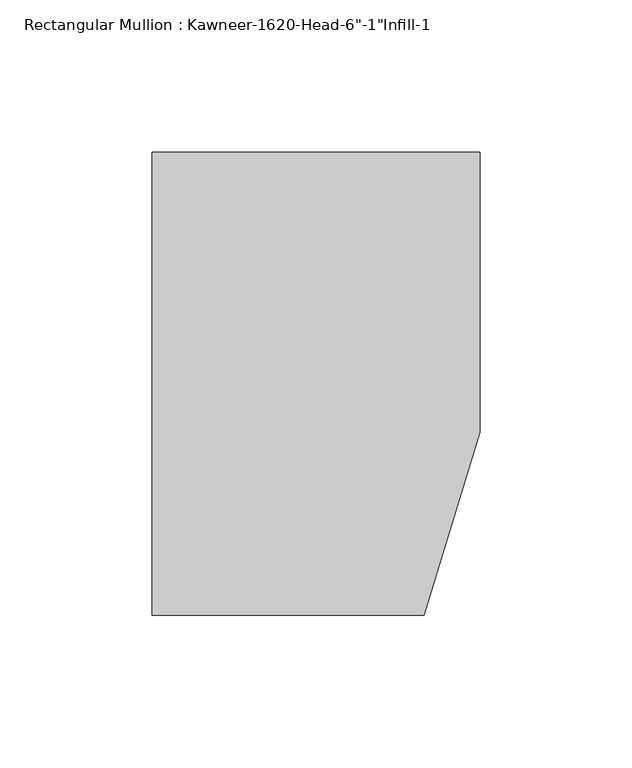
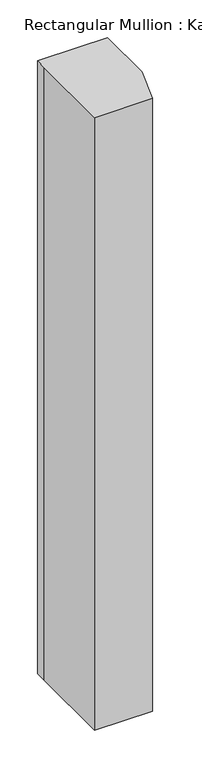
"""IFC4 building model written with IfcOpenShell, lengths in millimetres: member geometry."""

from ifc_helpers import new_model, si_unit, frame, origin, place, context, project, spatial, polyline, outline, extrude, source, transform, mapped, element, save


def member_7d9ce061(model_context):
    return source(origin(), model_context, "Body", "SweptSolid", [
        extrude(outline(polyline([(-107.95, 19.9095466), (-107.95, 38.1), (-44.1519366, 38.1), (0.0, 38.1), (0.0, -53.975), (-18.3538271, -114.3), (-107.95, -114.3), (-107.95, 19.9095466)])), frame((0.0, 0.0, -996.8565367), z_axis=(0.0, 0.0, 1.0), x_axis=(1.0, 0.0, 0.0)), (0.0, 0.0, 1.0), 996.8565367),
    ])


if __name__ == "__main__":
    model = new_model("IFC4")
    model_context = context("Model", 3, world=origin())
    ifc_project = project(units=[si_unit("LENGTHUNIT", "METRE", prefix="MILLI")], contexts=[model_context])
    site = spatial("IfcSite", under=ifc_project)
    building = spatial("IfcBuilding", under=site)
    placement = place(None, origin())
    member_shape = member_7d9ce061(model_context)
    element("IfcMember", 1, ObjectType="Rectangular Mullion : Kawneer-1620-Head-6\"-1\"Infill-1", at=placement, inside=building, context=model_context, shape_type="MappedRepresentation", body=[
        mapped(member_shape, transform((0.0, 0.0, 0.0), x_axis=(1.0, 0.0, 0.0), y_axis=(0.0, 1.0, 0.0), z_axis=(0.0, 0.0, 1.0))),
    ])
    save(model, "model.ifc")
